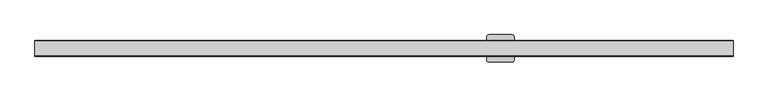
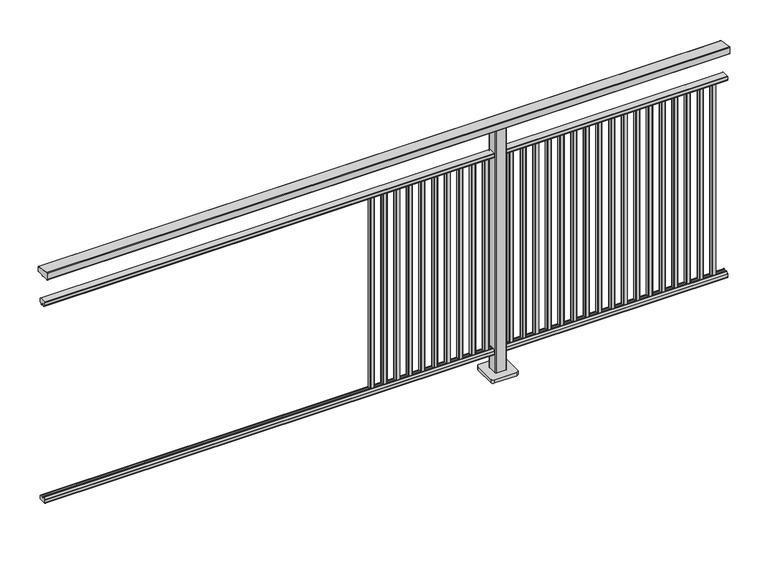
"""IFC4 building model written with IfcOpenShell, lengths in millimetres: railing geometry."""

import ifcopenshell
import ifcopenshell.guid

model = None  # the IFC model being written
_history = None  # IfcOwnerHistory: only IFC2X3 demands one
_inside = {}  # id of a spatial element -> (the spatial element, [elements in it])
_under = {}  # id of a project, library or spatial element -> (it, [spatial elements below it])
_declared = {}  # id of a project -> (the project, [libraries it declares])
_typed = {}  # id of a type object -> (the type object, [elements of that type])
_made_of = {}  # id of a material, layer set ... -> (it, [elements and type objects made of it])


def new_model(schema):
    """Start an empty IFC model of exactly this schema.

    Asked for "IFC4X3", IfcOpenShell would pick the latest addendum, in which some entities
    have other attributes; the version numbers below select the first issue.
    IFC2X3 requires an IfcOwnerHistory on every rooted entity: one is made here for all.
    """
    global model, _history
    if schema == "IFC4X3":
        model = ifcopenshell.file(schema_version=(4, 3, 0, 0))
    else:
        model = ifcopenshell.file(schema=schema)
    _inside.clear()
    _under.clear()
    _declared.clear()
    _typed.clear()
    _made_of.clear()
    _history = None
    if model.schema == "IFC2X3":
        org = make("IfcOrganization", Name="unknown")
        user = make(
            "IfcPersonAndOrganization",
            ThePerson=make("IfcPerson", FamilyName="unknown"),
            TheOrganization=org,
        )
        app = make(
            "IfcApplication",
            ApplicationDeveloper=org,
            Version="unknown",
            ApplicationFullName="unknown",
            ApplicationIdentifier="unknown",
        )
        _history = make(
            "IfcOwnerHistory",
            OwningUser=user,
            OwningApplication=app,
            ChangeAction="ADDED",
            CreationDate=0,
        )
    return model


def make(cls, **values):
    """One entity of the class cls with the attributes given. An attribute that is None is left unset."""
    return model.create_entity(
        cls, **{name: value for name, value in values.items() if value is not None}
    )


def rooted(cls, **values):
    """An entity with a GlobalId (a new one), such as an element, a storey or a relation."""
    return make(cls, GlobalId=ifcopenshell.guid.new(), OwnerHistory=_history, **values)


def si_unit(unit_type, name, prefix=None):
    """IfcSIUnit, for example si_unit("LENGTHUNIT", "METRE", prefix="MILLI")."""
    return make("IfcSIUnit", UnitType=unit_type, Prefix=prefix, Name=name)


def assignment(units):
    """IfcUnitAssignment: the units of a project."""
    return None if units is None else make("IfcUnitAssignment", Units=units)


def point(xyz):
    """IfcCartesianPoint."""
    return None if xyz is None else make("IfcCartesianPoint", Coordinates=xyz)


def direction(xyz):
    """IfcDirection."""
    return None if xyz is None else make("IfcDirection", DirectionRatios=xyz)


def frame(location, z_axis=None, x_axis=None):
    """IfcAxis2Placement3D, a coordinate frame: its origin and axes. An axis left out is left unset."""
    return make(
        "IfcAxis2Placement3D",
        Location=point(location),
        Axis=direction(z_axis),
        RefDirection=direction(x_axis),
    )


def frame_2d(location, x_axis=None):
    """IfcAxis2Placement2D, a coordinate frame in the plane: its origin and x axis."""
    return make(
        "IfcAxis2Placement2D", Location=point(location), RefDirection=direction(x_axis)
    )


def origin():
    """The frame at (0, 0, 0) with its axes left unset."""
    return frame((0.0, 0.0, 0.0))


def origin_with_axes():
    """The frame at (0, 0, 0) with the z axis (0, 0, 1) and the x axis (1, 0, 0) written out."""
    return frame((0.0, 0.0, 0.0), z_axis=(0.0, 0.0, 1.0), x_axis=(1.0, 0.0, 0.0))


def place(relative_to, where):
    """IfcLocalPlacement: puts the frame where relative to a parent placement (None: the world)."""
    return make(
        "IfcLocalPlacement", PlacementRelTo=relative_to, RelativePlacement=where
    )


def context(
    kind, dimensions, precision=None, world=None, true_north=None, identifier=None
):
    """IfcGeometricRepresentationContext, for example the 3D "Model" context."""
    return make(
        "IfcGeometricRepresentationContext",
        ContextIdentifier=identifier,
        ContextType=kind,
        CoordinateSpaceDimension=dimensions,
        Precision=precision,
        WorldCoordinateSystem=world,
        TrueNorth=true_north,
    )


def project(units=None, contexts=None):
    """IfcProject with its units and contexts."""
    return rooted(
        "IfcProject",
        Name="project",
        RepresentationContexts=contexts,
        UnitsInContext=assignment(units),
    )


def spatial(cls, under=None, at=None, **own):
    """A site, building, storey or space (cls), placed at a placement, below another one or the project."""
    s = rooted(cls, ObjectPlacement=at, **own)
    if under is not None:
        _under.setdefault(under.id(), (under, []))[1].append(s)
    return s


def polyline(points):
    """IfcPolyline through the points."""
    return make("IfcPolyline", Points=[point(p) for p in points])


def circle_curve(where, radius):
    """IfcCircle in the frame where."""
    return make("IfcCircle", Position=where, Radius=radius)


def trimmed(basis, trim1, trim2, sense, master):
    """IfcTrimmedCurve: the piece of a basis curve between two trims."""
    return make(
        "IfcTrimmedCurve",
        BasisCurve=basis,
        Trim1=trim1,
        Trim2=trim2,
        SenseAgreement=sense,
        MasterRepresentation=master,
    )


def segment(curve, same_sense, transition):
    """IfcCompositeCurveSegment."""
    return make(
        "IfcCompositeCurveSegment",
        Transition=transition,
        SameSense=same_sense,
        ParentCurve=curve,
    )


def composite_curve(segments, self_intersect=None):
    """IfcCompositeCurve: segments joined end to end."""
    return make("IfcCompositeCurve", Segments=segments, SelfIntersect=self_intersect)


def outline(outer, holes=None, kind="AREA"):
    """IfcArbitraryClosedProfileDef: a profile drawn as a closed curve; with holes, ...WithVoids."""
    if holes is None:
        return make("IfcArbitraryClosedProfileDef", ProfileType=kind, OuterCurve=outer)
    return make(
        "IfcArbitraryProfileDefWithVoids",
        ProfileType=kind,
        OuterCurve=outer,
        InnerCurves=holes,
    )


def extrude(swept, where, along, depth):
    """IfcExtrudedAreaSolid: the profile swept, set in the frame where, extruded along a direction by depth."""
    return make(
        "IfcExtrudedAreaSolid",
        SweptArea=swept,
        Position=where,
        ExtrudedDirection=direction(along),
        Depth=depth,
    )


def shape(context_of_items, identifier, shape_type, items):
    """IfcShapeRepresentation: the items that make up one representation, for example the "Body"."""
    return make(
        "IfcShapeRepresentation",
        ContextOfItems=context_of_items,
        RepresentationIdentifier=identifier,
        RepresentationType=shape_type,
        Items=items,
    )


def source(mapping_origin, context_of_items, identifier, shape_type, items):
    """IfcRepresentationMap: a shape defined once, which mapped items show again and again."""
    return make(
        "IfcRepresentationMap",
        MappingOrigin=mapping_origin,
        MappedRepresentation=shape(context_of_items, identifier, shape_type, items),
    )


def transform(
    local_origin,
    x_axis=None,
    y_axis=None,
    z_axis=None,
    scale=None,
    scale2=None,
    scale3=None,
    uniform=True,
):
    """IfcCartesianTransformationOperator3D, or its non-uniform kind. x_axis, y_axis, z_axis: its Axis1, 2, 3."""
    if uniform:
        return make(
            "IfcCartesianTransformationOperator3D",
            Axis1=direction(x_axis),
            Axis2=direction(y_axis),
            LocalOrigin=point(local_origin),
            Scale=scale,
            Axis3=direction(z_axis),
        )
    return make(
        "IfcCartesianTransformationOperator3DnonUniform",
        Axis1=direction(x_axis),
        Axis2=direction(y_axis),
        LocalOrigin=point(local_origin),
        Scale=scale,
        Axis3=direction(z_axis),
        Scale2=scale2,
        Scale3=scale3,
    )


def mapped(mapping_source, mapping_target):
    """IfcMappedItem: shows the shape of a source again, moved by a transform."""
    return make(
        "IfcMappedItem", MappingSource=mapping_source, MappingTarget=mapping_target
    )


def made_of(thing, what):
    """Note that an element or type object is made of a material, layer set ...; save() writes the relation."""
    if what is not None:
        _made_of.setdefault(what.id(), (what, []))[1].append(thing)
    return thing


def element(
    cls,
    number,
    at=None,
    inside=None,
    cuts=None,
    type_object=None,
    material=None,
    context=None,
    identifier="Body",
    shape_type=None,
    held_by="IfcProductDefinitionShape",
    body=None,
    shapes=None,
    **own,
):
    """One element of the class cls, such as IfcWall. Its Tag is "e" and its number.

    at: its placement. inside: the storey or other place that contains it. cuts: it is an
    opening in that element (IfcRelVoidsElement). A single representation is given by context,
    identifier, shape_type and body (its items); several are given by shapes. held_by: the class
    of the entity that holds the representations. save() writes the other relations.
    """
    e = rooted(cls, Tag="e%d" % number, ObjectPlacement=at, **own)
    if body is not None:
        shapes = [shape(context, identifier, shape_type, body)]
    if shapes is not None:
        e.Representation = make(held_by, Representations=shapes)
    if inside is not None:
        _inside.setdefault(inside.id(), (inside, []))[1].append(e)
    if cuts is not None:
        rooted(
            "IfcRelVoidsElement", RelatingBuildingElement=cuts, RelatedOpeningElement=e
        )
    if type_object is not None:
        _typed.setdefault(type_object.id(), (type_object, []))[1].append(e)
    return made_of(e, material)


def aggregate(whole, parts):
    """IfcRelAggregates: a whole, such as a stair, and the parts it consists of."""
    return rooted("IfcRelAggregates", RelatingObject=whole, RelatedObjects=parts)


def save(model, path):
    """Write the relations noted so far, then the file.

    IfcRelAggregates (storeys below a building ...), IfcRelContainedInSpatialStructure (elements
    in a storey), IfcRelDefinesByType, IfcRelAssociatesMaterial and IfcRelDeclares: one each for
    every whole, place, type object, material and project.
    """
    for whole, parts in _under.values():
        aggregate(whole, parts)
    for where, things in _inside.values():
        rooted(
            "IfcRelContainedInSpatialStructure",
            RelatedElements=things,
            RelatingStructure=where,
        )
    for kind, things in _typed.values():
        rooted("IfcRelDefinesByType", RelatedObjects=things, RelatingType=kind)
    for what, things in _made_of.values():
        rooted("IfcRelAssociatesMaterial", RelatedObjects=things, RelatingMaterial=what)
    for by, libraries in _declared.values():
        rooted("IfcRelDeclares", RelatingContext=by, RelatedDefinitions=libraries)
    model.write(path)


def railing_397cc228(model_context):
    return source(origin(), model_context, "Body", "SweptSolid", [
        extrude(outline(composite_curve([segment(polyline([(10264.3630551, 1199.9544233), (10328.3630551, 1188.6694965)]), True, "CONTINUOUS"), segment(trimmed(circle_curve(frame_2d((10327.8421106, 1185.7150732)), 3.0), [point((10328.3630551, 1188.6694965))], [point((10330.8421106, 1185.7150732))], False, "CARTESIAN"), True, "CONTINUOUS"), segment(polyline([(10330.8421106, 1185.7150732), (10330.8421106, 1169.2)]), True, "CONTINUOUS"), segment(trimmed(circle_curve(frame_2d((10327.8421106, 1169.2)), 3.0), [point((10330.8421106, 1169.2))], [point((10327.8421106, 1166.2))], False, "CARTESIAN"), True, "CONTINUOUS"), segment(polyline([(10327.8421106, 1166.2), (10304.17694, 1166.2)]), True, "CONTINUOUS"), segment(trimmed(circle_curve(frame_2d((10295.8500931, 1183.2818957)), 19.003356), [point((10304.17694, 1166.2))], [point((10287.5232463, 1166.2))], False, "CARTESIAN"), True, "CONTINUOUS"), segment(polyline([(10287.5232463, 1166.2), (10263.8421106, 1166.2)]), True, "CONTINUOUS"), segment(trimmed(circle_curve(frame_2d((10263.8421106, 1169.2)), 3.0), [point((10263.8421106, 1166.2))], [point((10260.8421106, 1169.2))], False, "CARTESIAN"), True, "CONTINUOUS"), segment(polyline([(10260.8421106, 1169.2), (10260.8421106, 1197.0)]), True, "CONTINUOUS"), segment(trimmed(circle_curve(frame_2d((10263.8421106, 1197.0)), 3.0), [point((10260.8421106, 1197.0))], [point((10264.3630551, 1199.9544233))], False, "CARTESIAN"), True, "CONTINUOUS")], self_intersect=False)), frame((3691.3946925, 0.0, 0.0), z_axis=(1.0, 0.0, 0.0), x_axis=(0.0, 1.0, 0.0)), (0.0, 0.0, 1.0), 3050.0),
        extrude(outline(composite_curve([segment(polyline([(10311.5508136, 100.0), (10280.1507946, 100.0)]), True, "CONTINUOUS"), segment(trimmed(circle_curve(frame_2d((10280.1507946, 101.8)), 1.8), [point((10280.1507946, 100.0))], [point((10278.3507946, 101.8))], False, "CARTESIAN"), True, "CONTINUOUS"), segment(polyline([(10278.3507946, 101.8), (10278.3507946, 115.5269955)]), True, "CONTINUOUS"), segment(trimmed(circle_curve(frame_2d((10280.1507946, 115.5269955)), 1.8), [point((10278.3507946, 115.5269955))], [point((10278.7923399, 116.7079277))], False, "CARTESIAN"), True, "CONTINUOUS"), segment(polyline([(10278.7923399, 116.7079277), (10285.4626384, 124.3809322)]), True, "CONTINUOUS"), segment(trimmed(circle_curve(frame_2d((10286.8210931, 123.2)), 1.8), [point((10285.4626384, 124.3809322))], [point((10286.8210931, 125.0))], False, "CARTESIAN"), True, "CONTINUOUS"), segment(polyline([(10286.8210931, 125.0), (10290.5111113, 125.0), (10291.809143, 113.0), (10299.8924411, 113.0), (10301.1904978, 125.0), (10304.88054, 125.0)]), True, "CONTINUOUS"), segment(trimmed(circle_curve(frame_2d((10304.88054, 123.2)), 1.8), [point((10304.88054, 125.0))], [point((10306.2389969, 124.3809297))], False, "CARTESIAN"), True, "CONTINUOUS"), segment(polyline([(10306.2389969, 124.3809297), (10312.9092704, 116.7079252)]), True, "CONTINUOUS"), segment(trimmed(circle_curve(frame_2d((10311.5508136, 115.5269955)), 1.8), [point((10312.9092704, 116.7079252))], [point((10313.3508136, 115.5269955))], False, "CARTESIAN"), True, "CONTINUOUS"), segment(polyline([(10313.3508136, 115.5269955), (10313.3508136, 101.8)]), True, "CONTINUOUS"), segment(trimmed(circle_curve(frame_2d((10311.5508136, 101.8)), 1.8), [point((10313.3508136, 101.8))], [point((10311.5508136, 100.0))], False, "CARTESIAN"), True, "CONTINUOUS")], self_intersect=False)), frame((3691.3946925, 0.0, 0.0), z_axis=(1.0, 0.0, 0.0), x_axis=(0.0, 1.0, 0.0)), (0.0, 0.0, 1.0), 3050.0),
        extrude(outline(composite_curve([segment(polyline([(10280.1507946, 1050.0), (10311.5508136, 1050.0)]), True, "CONTINUOUS"), segment(trimmed(circle_curve(frame_2d((10311.5508136, 1048.2)), 1.8), [point((10311.5508136, 1050.0))], [point((10313.3508136, 1048.2))], False, "CARTESIAN"), True, "CONTINUOUS"), segment(polyline([(10313.3508136, 1048.2), (10313.3508136, 1034.4730045)]), True, "CONTINUOUS"), segment(trimmed(circle_curve(frame_2d((10311.5508136, 1034.4730045)), 1.8), [point((10313.3508136, 1034.4730045))], [point((10312.9092704, 1033.2920748))], False, "CARTESIAN"), True, "CONTINUOUS"), segment(polyline([(10312.9092704, 1033.2920748), (10306.2389969, 1025.6190703)]), True, "CONTINUOUS"), segment(trimmed(circle_curve(frame_2d((10304.88054, 1026.8)), 1.8), [point((10306.2389969, 1025.6190703))], [point((10304.88054, 1025.0))], False, "CARTESIAN"), True, "CONTINUOUS"), segment(polyline([(10304.88054, 1025.0), (10301.1904978, 1025.0), (10299.8924411, 1037.0), (10291.809143, 1037.0), (10290.5111113, 1025.0), (10286.8210931, 1025.0)]), True, "CONTINUOUS"), segment(trimmed(circle_curve(frame_2d((10286.8210931, 1026.8)), 1.8), [point((10286.8210931, 1025.0))], [point((10285.4626384, 1025.6190678))], False, "CARTESIAN"), True, "CONTINUOUS"), segment(polyline([(10285.4626384, 1025.6190678), (10278.7923399, 1033.2920723)]), True, "CONTINUOUS"), segment(trimmed(circle_curve(frame_2d((10280.1507946, 1034.4730045)), 1.8), [point((10278.7923399, 1033.2920723))], [point((10278.3507946, 1034.4730045))], False, "CARTESIAN"), True, "CONTINUOUS"), segment(polyline([(10278.3507946, 1034.4730045), (10278.3507946, 1048.2)]), True, "CONTINUOUS"), segment(trimmed(circle_curve(frame_2d((10280.1507946, 1048.2)), 1.8), [point((10278.3507946, 1048.2))], [point((10280.1507946, 1050.0))], False, "CARTESIAN"), True, "CONTINUOUS")], self_intersect=False)), frame((3691.3946925, 0.0, 0.0), z_axis=(1.0, 0.0, 0.0), x_axis=(0.0, 1.0, 0.0)), (0.0, 0.0, 1.0), 3050.0),
        extrude(outline(composite_curve([segment(trimmed(circle_curve(frame_2d((6677.3132095, 10303.4508236)), 1.4), [point((6675.9132095, 10303.4508236))], [point((6677.3132095, 10304.8508236))], False, "CARTESIAN"), True, "CONTINUOUS"), segment(polyline([(6677.3132095, 10304.8508236), (6692.5132125, 10304.8508236)]), True, "CONTINUOUS"), segment(trimmed(circle_curve(frame_2d((6692.5132125, 10303.4508236)), 1.4), [point((6692.5132125, 10304.8508236))], [point((6693.9132125, 10303.4508236))], False, "CARTESIAN"), True, "CONTINUOUS"), segment(polyline([(6693.9132125, 10303.4508236), (6693.9132125, 10288.2507846)]), True, "CONTINUOUS"), segment(trimmed(circle_curve(frame_2d((6692.5132125, 10288.2507846)), 1.4), [point((6693.9132125, 10288.2507846))], [point((6692.5132125, 10286.8507846))], False, "CARTESIAN"), True, "CONTINUOUS"), segment(polyline([(6692.5132125, 10286.8507846), (6677.3132095, 10286.8507846)]), True, "CONTINUOUS"), segment(trimmed(circle_curve(frame_2d((6677.3132095, 10288.2507846)), 1.4), [point((6677.3132095, 10286.8507846))], [point((6675.9132095, 10288.2507846))], False, "CARTESIAN"), True, "CONTINUOUS"), segment(polyline([(6675.9132095, 10288.2507846), (6675.9132095, 10303.4508236)]), True, "CONTINUOUS")], self_intersect=False)), frame((0.0, 0.0, 125.0), z_axis=(0.0, 0.0, 1.0), x_axis=(1.0, 0.0, 0.0)), (0.0, 0.0, 1.0), 900.0),
        extrude(outline(composite_curve([segment(trimmed(circle_curve(frame_2d((6620.8317281, 10303.4508236)), 1.4), [point((6619.4317281, 10303.4508236))], [point((6620.8317281, 10304.8508236))], False, "CARTESIAN"), True, "CONTINUOUS"), segment(polyline([(6620.8317281, 10304.8508236), (6636.0317311, 10304.8508236)]), True, "CONTINUOUS"), segment(trimmed(circle_curve(frame_2d((6636.0317311, 10303.4508236)), 1.4), [point((6636.0317311, 10304.8508236))], [point((6637.4317311, 10303.4508236))], False, "CARTESIAN"), True, "CONTINUOUS"), segment(polyline([(6637.4317311, 10303.4508236), (6637.4317311, 10288.2507846)]), True, "CONTINUOUS"), segment(trimmed(circle_curve(frame_2d((6636.0317311, 10288.2507846)), 1.4), [point((6637.4317311, 10288.2507846))], [point((6636.0317311, 10286.8507846))], False, "CARTESIAN"), True, "CONTINUOUS"), segment(polyline([(6636.0317311, 10286.8507846), (6620.8317281, 10286.8507846)]), True, "CONTINUOUS"), segment(trimmed(circle_curve(frame_2d((6620.8317281, 10288.2507846)), 1.4), [point((6620.8317281, 10286.8507846))], [point((6619.4317281, 10288.2507846))], False, "CARTESIAN"), True, "CONTINUOUS"), segment(polyline([(6619.4317281, 10288.2507846), (6619.4317281, 10303.4508236)]), True, "CONTINUOUS")], self_intersect=False)), frame((0.0, 0.0, 125.0), z_axis=(0.0, 0.0, 1.0), x_axis=(1.0, 0.0, 0.0)), (0.0, 0.0, 1.0), 900.0),
        extrude(outline(composite_curve([segment(trimmed(circle_curve(frame_2d((6564.3502466, 10303.4508236)), 1.4), [point((6562.9502466, 10303.4508236))], [point((6564.3502466, 10304.8508236))], False, "CARTESIAN"), True, "CONTINUOUS"), segment(polyline([(6564.3502466, 10304.8508236), (6579.5502496, 10304.8508236)]), True, "CONTINUOUS"), segment(trimmed(circle_curve(frame_2d((6579.5502496, 10303.4508236)), 1.4), [point((6579.5502496, 10304.8508236))], [point((6580.9502496, 10303.4508236))], False, "CARTESIAN"), True, "CONTINUOUS"), segment(polyline([(6580.9502496, 10303.4508236), (6580.9502496, 10288.2507846)]), True, "CONTINUOUS"), segment(trimmed(circle_curve(frame_2d((6579.5502496, 10288.2507846)), 1.4), [point((6580.9502496, 10288.2507846))], [point((6579.5502496, 10286.8507846))], False, "CARTESIAN"), True, "CONTINUOUS"), segment(polyline([(6579.5502496, 10286.8507846), (6564.3502466, 10286.8507846)]), True, "CONTINUOUS"), segment(trimmed(circle_curve(frame_2d((6564.3502466, 10288.2507846)), 1.4), [point((6564.3502466, 10286.8507846))], [point((6562.9502466, 10288.2507846))], False, "CARTESIAN"), True, "CONTINUOUS"), segment(polyline([(6562.9502466, 10288.2507846), (6562.9502466, 10303.4508236)]), True, "CONTINUOUS")], self_intersect=False)), frame((0.0, 0.0, 125.0), z_axis=(0.0, 0.0, 1.0), x_axis=(1.0, 0.0, 0.0)), (0.0, 0.0, 1.0), 900.0),
        extrude(outline(composite_curve([segment(trimmed(circle_curve(frame_2d((6507.8687651, 10303.4508236)), 1.4), [point((6506.4687651, 10303.4508236))], [point((6507.8687651, 10304.8508236))], False, "CARTESIAN"), True, "CONTINUOUS"), segment(polyline([(6507.8687651, 10304.8508236), (6523.0687681, 10304.8508236)]), True, "CONTINUOUS"), segment(trimmed(circle_curve(frame_2d((6523.0687681, 10303.4508236)), 1.4), [point((6523.0687681, 10304.8508236))], [point((6524.4687681, 10303.4508236))], False, "CARTESIAN"), True, "CONTINUOUS"), segment(polyline([(6524.4687681, 10303.4508236), (6524.4687681, 10288.2507846)]), True, "CONTINUOUS"), segment(trimmed(circle_curve(frame_2d((6523.0687681, 10288.2507846)), 1.4), [point((6524.4687681, 10288.2507846))], [point((6523.0687681, 10286.8507846))], False, "CARTESIAN"), True, "CONTINUOUS"), segment(polyline([(6523.0687681, 10286.8507846), (6507.8687651, 10286.8507846)]), True, "CONTINUOUS"), segment(trimmed(circle_curve(frame_2d((6507.8687651, 10288.2507846)), 1.4), [point((6507.8687651, 10286.8507846))], [point((6506.4687651, 10288.2507846))], False, "CARTESIAN"), True, "CONTINUOUS"), segment(polyline([(6506.4687651, 10288.2507846), (6506.4687651, 10303.4508236)]), True, "CONTINUOUS")], self_intersect=False)), frame((0.0, 0.0, 125.0), z_axis=(0.0, 0.0, 1.0), x_axis=(1.0, 0.0, 0.0)), (0.0, 0.0, 1.0), 900.0),
        extrude(outline(composite_curve([segment(trimmed(circle_curve(frame_2d((6451.3872836, 10303.4508236)), 1.4), [point((6449.9872836, 10303.4508236))], [point((6451.3872836, 10304.8508236))], False, "CARTESIAN"), True, "CONTINUOUS"), segment(polyline([(6451.3872836, 10304.8508236), (6466.5872866, 10304.8508236)]), True, "CONTINUOUS"), segment(trimmed(circle_curve(frame_2d((6466.5872866, 10303.4508236)), 1.4), [point((6466.5872866, 10304.8508236))], [point((6467.9872866, 10303.4508236))], False, "CARTESIAN"), True, "CONTINUOUS"), segment(polyline([(6467.9872866, 10303.4508236), (6467.9872866, 10288.2507846)]), True, "CONTINUOUS"), segment(trimmed(circle_curve(frame_2d((6466.5872866, 10288.2507846)), 1.4), [point((6467.9872866, 10288.2507846))], [point((6466.5872866, 10286.8507846))], False, "CARTESIAN"), True, "CONTINUOUS"), segment(polyline([(6466.5872866, 10286.8507846), (6451.3872836, 10286.8507846)]), True, "CONTINUOUS"), segment(trimmed(circle_curve(frame_2d((6451.3872836, 10288.2507846)), 1.4), [point((6451.3872836, 10286.8507846))], [point((6449.9872836, 10288.2507846))], False, "CARTESIAN"), True, "CONTINUOUS"), segment(polyline([(6449.9872836, 10288.2507846), (6449.9872836, 10303.4508236)]), True, "CONTINUOUS")], self_intersect=False)), frame((0.0, 0.0, 125.0), z_axis=(0.0, 0.0, 1.0), x_axis=(1.0, 0.0, 0.0)), (0.0, 0.0, 1.0), 900.0),
        extrude(outline(composite_curve([segment(trimmed(circle_curve(frame_2d((6394.9058021, 10303.4508236)), 1.4), [point((6393.5058021, 10303.4508236))], [point((6394.9058021, 10304.8508236))], False, "CARTESIAN"), True, "CONTINUOUS"), segment(polyline([(6394.9058021, 10304.8508236), (6410.1058051, 10304.8508236)]), True, "CONTINUOUS"), segment(trimmed(circle_curve(frame_2d((6410.1058051, 10303.4508236)), 1.4), [point((6410.1058051, 10304.8508236))], [point((6411.5058051, 10303.4508236))], False, "CARTESIAN"), True, "CONTINUOUS"), segment(polyline([(6411.5058051, 10303.4508236), (6411.5058051, 10288.2507846)]), True, "CONTINUOUS"), segment(trimmed(circle_curve(frame_2d((6410.1058051, 10288.2507846)), 1.4), [point((6411.5058051, 10288.2507846))], [point((6410.1058051, 10286.8507846))], False, "CARTESIAN"), True, "CONTINUOUS"), segment(polyline([(6410.1058051, 10286.8507846), (6394.9058021, 10286.8507846)]), True, "CONTINUOUS"), segment(trimmed(circle_curve(frame_2d((6394.9058021, 10288.2507846)), 1.4), [point((6394.9058021, 10286.8507846))], [point((6393.5058021, 10288.2507846))], False, "CARTESIAN"), True, "CONTINUOUS"), segment(polyline([(6393.5058021, 10288.2507846), (6393.5058021, 10303.4508236)]), True, "CONTINUOUS")], self_intersect=False)), frame((0.0, 0.0, 125.0), z_axis=(0.0, 0.0, 1.0), x_axis=(1.0, 0.0, 0.0)), (0.0, 0.0, 1.0), 900.0),
        extrude(outline(composite_curve([segment(trimmed(circle_curve(frame_2d((6338.4243207, 10303.4508236)), 1.4), [point((6337.0243207, 10303.4508236))], [point((6338.4243207, 10304.8508236))], False, "CARTESIAN"), True, "CONTINUOUS"), segment(polyline([(6338.4243207, 10304.8508236), (6353.6243237, 10304.8508236)]), True, "CONTINUOUS"), segment(trimmed(circle_curve(frame_2d((6353.6243237, 10303.4508236)), 1.4), [point((6353.6243237, 10304.8508236))], [point((6355.0243237, 10303.4508236))], False, "CARTESIAN"), True, "CONTINUOUS"), segment(polyline([(6355.0243237, 10303.4508236), (6355.0243237, 10288.2507846)]), True, "CONTINUOUS"), segment(trimmed(circle_curve(frame_2d((6353.6243237, 10288.2507846)), 1.4), [point((6355.0243237, 10288.2507846))], [point((6353.6243237, 10286.8507846))], False, "CARTESIAN"), True, "CONTINUOUS"), segment(polyline([(6353.6243237, 10286.8507846), (6338.4243207, 10286.8507846)]), True, "CONTINUOUS"), segment(trimmed(circle_curve(frame_2d((6338.4243207, 10288.2507846)), 1.4), [point((6338.4243207, 10286.8507846))], [point((6337.0243207, 10288.2507846))], False, "CARTESIAN"), True, "CONTINUOUS"), segment(polyline([(6337.0243207, 10288.2507846), (6337.0243207, 10303.4508236)]), True, "CONTINUOUS")], self_intersect=False)), frame((0.0, 0.0, 125.0), z_axis=(0.0, 0.0, 1.0), x_axis=(1.0, 0.0, 0.0)), (0.0, 0.0, 1.0), 900.0),
        extrude(outline(composite_curve([segment(trimmed(circle_curve(frame_2d((6281.9428392, 10303.4508236)), 1.4), [point((6280.5428392, 10303.4508236))], [point((6281.9428392, 10304.8508236))], False, "CARTESIAN"), True, "CONTINUOUS"), segment(polyline([(6281.9428392, 10304.8508236), (6297.1428422, 10304.8508236)]), True, "CONTINUOUS"), segment(trimmed(circle_curve(frame_2d((6297.1428422, 10303.4508236)), 1.4), [point((6297.1428422, 10304.8508236))], [point((6298.5428422, 10303.4508236))], False, "CARTESIAN"), True, "CONTINUOUS"), segment(polyline([(6298.5428422, 10303.4508236), (6298.5428422, 10288.2507846)]), True, "CONTINUOUS"), segment(trimmed(circle_curve(frame_2d((6297.1428422, 10288.2507846)), 1.4), [point((6298.5428422, 10288.2507846))], [point((6297.1428422, 10286.8507846))], False, "CARTESIAN"), True, "CONTINUOUS"), segment(polyline([(6297.1428422, 10286.8507846), (6281.9428392, 10286.8507846)]), True, "CONTINUOUS"), segment(trimmed(circle_curve(frame_2d((6281.9428392, 10288.2507846)), 1.4), [point((6281.9428392, 10286.8507846))], [point((6280.5428392, 10288.2507846))], False, "CARTESIAN"), True, "CONTINUOUS"), segment(polyline([(6280.5428392, 10288.2507846), (6280.5428392, 10303.4508236)]), True, "CONTINUOUS")], self_intersect=False)), frame((0.0, 0.0, 125.0), z_axis=(0.0, 0.0, 1.0), x_axis=(1.0, 0.0, 0.0)), (0.0, 0.0, 1.0), 900.0),
        extrude(outline(composite_curve([segment(trimmed(circle_curve(frame_2d((6225.4613577, 10303.4508236)), 1.4), [point((6224.0613577, 10303.4508236))], [point((6225.4613577, 10304.8508236))], False, "CARTESIAN"), True, "CONTINUOUS"), segment(polyline([(6225.4613577, 10304.8508236), (6240.6613607, 10304.8508236)]), True, "CONTINUOUS"), segment(trimmed(circle_curve(frame_2d((6240.6613607, 10303.4508236)), 1.4), [point((6240.6613607, 10304.8508236))], [point((6242.0613607, 10303.4508236))], False, "CARTESIAN"), True, "CONTINUOUS"), segment(polyline([(6242.0613607, 10303.4508236), (6242.0613607, 10288.2507846)]), True, "CONTINUOUS"), segment(trimmed(circle_curve(frame_2d((6240.6613607, 10288.2507846)), 1.4), [point((6242.0613607, 10288.2507846))], [point((6240.6613607, 10286.8507846))], False, "CARTESIAN"), True, "CONTINUOUS"), segment(polyline([(6240.6613607, 10286.8507846), (6225.4613577, 10286.8507846)]), True, "CONTINUOUS"), segment(trimmed(circle_curve(frame_2d((6225.4613577, 10288.2507846)), 1.4), [point((6225.4613577, 10286.8507846))], [point((6224.0613577, 10288.2507846))], False, "CARTESIAN"), True, "CONTINUOUS"), segment(polyline([(6224.0613577, 10288.2507846), (6224.0613577, 10303.4508236)]), True, "CONTINUOUS")], self_intersect=False)), frame((0.0, 0.0, 125.0), z_axis=(0.0, 0.0, 1.0), x_axis=(1.0, 0.0, 0.0)), (0.0, 0.0, 1.0), 900.0),
        extrude(outline(composite_curve([segment(trimmed(circle_curve(frame_2d((6168.9798762, 10303.4508236)), 1.4), [point((6167.5798762, 10303.4508236))], [point((6168.9798762, 10304.8508236))], False, "CARTESIAN"), True, "CONTINUOUS"), segment(polyline([(6168.9798762, 10304.8508236), (6184.1798792, 10304.8508236)]), True, "CONTINUOUS"), segment(trimmed(circle_curve(frame_2d((6184.1798792, 10303.4508236)), 1.4), [point((6184.1798792, 10304.8508236))], [point((6185.5798792, 10303.4508236))], False, "CARTESIAN"), True, "CONTINUOUS"), segment(polyline([(6185.5798792, 10303.4508236), (6185.5798792, 10288.2507846)]), True, "CONTINUOUS"), segment(trimmed(circle_curve(frame_2d((6184.1798792, 10288.2507846)), 1.4), [point((6185.5798792, 10288.2507846))], [point((6184.1798792, 10286.8507846))], False, "CARTESIAN"), True, "CONTINUOUS"), segment(polyline([(6184.1798792, 10286.8507846), (6168.9798762, 10286.8507846)]), True, "CONTINUOUS"), segment(trimmed(circle_curve(frame_2d((6168.9798762, 10288.2507846)), 1.4), [point((6168.9798762, 10286.8507846))], [point((6167.5798762, 10288.2507846))], False, "CARTESIAN"), True, "CONTINUOUS"), segment(polyline([(6167.5798762, 10288.2507846), (6167.5798762, 10303.4508236)]), True, "CONTINUOUS")], self_intersect=False)), frame((0.0, 0.0, 125.0), z_axis=(0.0, 0.0, 1.0), x_axis=(1.0, 0.0, 0.0)), (0.0, 0.0, 1.0), 900.0),
        extrude(outline(composite_curve([segment(trimmed(circle_curve(frame_2d((6112.4983947, 10303.4508236)), 1.4), [point((6111.0983947, 10303.4508236))], [point((6112.4983947, 10304.8508236))], False, "CARTESIAN"), True, "CONTINUOUS"), segment(polyline([(6112.4983947, 10304.8508236), (6127.6983977, 10304.8508236)]), True, "CONTINUOUS"), segment(trimmed(circle_curve(frame_2d((6127.6983977, 10303.4508236)), 1.4), [point((6127.6983977, 10304.8508236))], [point((6129.0983977, 10303.4508236))], False, "CARTESIAN"), True, "CONTINUOUS"), segment(polyline([(6129.0983977, 10303.4508236), (6129.0983977, 10288.2507846)]), True, "CONTINUOUS"), segment(trimmed(circle_curve(frame_2d((6127.6983977, 10288.2507846)), 1.4), [point((6129.0983977, 10288.2507846))], [point((6127.6983977, 10286.8507846))], False, "CARTESIAN"), True, "CONTINUOUS"), segment(polyline([(6127.6983977, 10286.8507846), (6112.4983947, 10286.8507846)]), True, "CONTINUOUS"), segment(trimmed(circle_curve(frame_2d((6112.4983947, 10288.2507846)), 1.4), [point((6112.4983947, 10286.8507846))], [point((6111.0983947, 10288.2507846))], False, "CARTESIAN"), True, "CONTINUOUS"), segment(polyline([(6111.0983947, 10288.2507846), (6111.0983947, 10303.4508236)]), True, "CONTINUOUS")], self_intersect=False)), frame((0.0, 0.0, 125.0), z_axis=(0.0, 0.0, 1.0), x_axis=(1.0, 0.0, 0.0)), (0.0, 0.0, 1.0), 900.0),
        extrude(outline(composite_curve([segment(trimmed(circle_curve(frame_2d((6056.0169133, 10303.4508236)), 1.4), [point((6054.6169133, 10303.4508236))], [point((6056.0169133, 10304.8508236))], False, "CARTESIAN"), True, "CONTINUOUS"), segment(polyline([(6056.0169133, 10304.8508236), (6071.2169163, 10304.8508236)]), True, "CONTINUOUS"), segment(trimmed(circle_curve(frame_2d((6071.2169163, 10303.4508236)), 1.4), [point((6071.2169163, 10304.8508236))], [point((6072.6169163, 10303.4508236))], False, "CARTESIAN"), True, "CONTINUOUS"), segment(polyline([(6072.6169163, 10303.4508236), (6072.6169163, 10288.2507846)]), True, "CONTINUOUS"), segment(trimmed(circle_curve(frame_2d((6071.2169163, 10288.2507846)), 1.4), [point((6072.6169163, 10288.2507846))], [point((6071.2169163, 10286.8507846))], False, "CARTESIAN"), True, "CONTINUOUS"), segment(polyline([(6071.2169163, 10286.8507846), (6056.0169133, 10286.8507846)]), True, "CONTINUOUS"), segment(trimmed(circle_curve(frame_2d((6056.0169133, 10288.2507846)), 1.4), [point((6056.0169133, 10286.8507846))], [point((6054.6169133, 10288.2507846))], False, "CARTESIAN"), True, "CONTINUOUS"), segment(polyline([(6054.6169133, 10288.2507846), (6054.6169133, 10303.4508236)]), True, "CONTINUOUS")], self_intersect=False)), frame((0.0, 0.0, 125.0), z_axis=(0.0, 0.0, 1.0), x_axis=(1.0, 0.0, 0.0)), (0.0, 0.0, 1.0), 900.0),
        extrude(outline(composite_curve([segment(trimmed(circle_curve(frame_2d((5999.5354318, 10303.4508236)), 1.4), [point((5998.1354318, 10303.4508236))], [point((5999.5354318, 10304.8508236))], False, "CARTESIAN"), True, "CONTINUOUS"), segment(polyline([(5999.5354318, 10304.8508236), (6014.7354348, 10304.8508236)]), True, "CONTINUOUS"), segment(trimmed(circle_curve(frame_2d((6014.7354348, 10303.4508236)), 1.4), [point((6014.7354348, 10304.8508236))], [point((6016.1354348, 10303.4508236))], False, "CARTESIAN"), True, "CONTINUOUS"), segment(polyline([(6016.1354348, 10303.4508236), (6016.1354348, 10288.2507846)]), True, "CONTINUOUS"), segment(trimmed(circle_curve(frame_2d((6014.7354348, 10288.2507846)), 1.4), [point((6016.1354348, 10288.2507846))], [point((6014.7354348, 10286.8507846))], False, "CARTESIAN"), True, "CONTINUOUS"), segment(polyline([(6014.7354348, 10286.8507846), (5999.5354318, 10286.8507846)]), True, "CONTINUOUS"), segment(trimmed(circle_curve(frame_2d((5999.5354318, 10288.2507846)), 1.4), [point((5999.5354318, 10286.8507846))], [point((5998.1354318, 10288.2507846))], False, "CARTESIAN"), True, "CONTINUOUS"), segment(polyline([(5998.1354318, 10288.2507846), (5998.1354318, 10303.4508236)]), True, "CONTINUOUS")], self_intersect=False)), frame((0.0, 0.0, 125.0), z_axis=(0.0, 0.0, 1.0), x_axis=(1.0, 0.0, 0.0)), (0.0, 0.0, 1.0), 900.0),
        extrude(outline(composite_curve([segment(trimmed(circle_curve(frame_2d((5943.0539503, 10303.4508236)), 1.4), [point((5941.6539503, 10303.4508236))], [point((5943.0539503, 10304.8508236))], False, "CARTESIAN"), True, "CONTINUOUS"), segment(polyline([(5943.0539503, 10304.8508236), (5958.2539533, 10304.8508236)]), True, "CONTINUOUS"), segment(trimmed(circle_curve(frame_2d((5958.2539533, 10303.4508236)), 1.4), [point((5958.2539533, 10304.8508236))], [point((5959.6539533, 10303.4508236))], False, "CARTESIAN"), True, "CONTINUOUS"), segment(polyline([(5959.6539533, 10303.4508236), (5959.6539533, 10288.2507846)]), True, "CONTINUOUS"), segment(trimmed(circle_curve(frame_2d((5958.2539533, 10288.2507846)), 1.4), [point((5959.6539533, 10288.2507846))], [point((5958.2539533, 10286.8507846))], False, "CARTESIAN"), True, "CONTINUOUS"), segment(polyline([(5958.2539533, 10286.8507846), (5943.0539503, 10286.8507846)]), True, "CONTINUOUS"), segment(trimmed(circle_curve(frame_2d((5943.0539503, 10288.2507846)), 1.4), [point((5943.0539503, 10286.8507846))], [point((5941.6539503, 10288.2507846))], False, "CARTESIAN"), True, "CONTINUOUS"), segment(polyline([(5941.6539503, 10288.2507846), (5941.6539503, 10303.4508236)]), True, "CONTINUOUS")], self_intersect=False)), frame((0.0, 0.0, 125.0), z_axis=(0.0, 0.0, 1.0), x_axis=(1.0, 0.0, 0.0)), (0.0, 0.0, 1.0), 900.0),
        extrude(outline(composite_curve([segment(trimmed(circle_curve(frame_2d((5886.5724688, 10303.4508236)), 1.4), [point((5885.1724688, 10303.4508236))], [point((5886.5724688, 10304.8508236))], False, "CARTESIAN"), True, "CONTINUOUS"), segment(polyline([(5886.5724688, 10304.8508236), (5901.7724718, 10304.8508236)]), True, "CONTINUOUS"), segment(trimmed(circle_curve(frame_2d((5901.7724718, 10303.4508236)), 1.4), [point((5901.7724718, 10304.8508236))], [point((5903.1724718, 10303.4508236))], False, "CARTESIAN"), True, "CONTINUOUS"), segment(polyline([(5903.1724718, 10303.4508236), (5903.1724718, 10288.2507846)]), True, "CONTINUOUS"), segment(trimmed(circle_curve(frame_2d((5901.7724718, 10288.2507846)), 1.4), [point((5903.1724718, 10288.2507846))], [point((5901.7724718, 10286.8507846))], False, "CARTESIAN"), True, "CONTINUOUS"), segment(polyline([(5901.7724718, 10286.8507846), (5886.5724688, 10286.8507846)]), True, "CONTINUOUS"), segment(trimmed(circle_curve(frame_2d((5886.5724688, 10288.2507846)), 1.4), [point((5886.5724688, 10286.8507846))], [point((5885.1724688, 10288.2507846))], False, "CARTESIAN"), True, "CONTINUOUS"), segment(polyline([(5885.1724688, 10288.2507846), (5885.1724688, 10303.4508236)]), True, "CONTINUOUS")], self_intersect=False)), frame((0.0, 0.0, 125.0), z_axis=(0.0, 0.0, 1.0), x_axis=(1.0, 0.0, 0.0)), (0.0, 0.0, 1.0), 900.0),
        extrude(outline(composite_curve([segment(trimmed(circle_curve(frame_2d((5830.0909873, 10303.4508236)), 1.4), [point((5828.6909873, 10303.4508236))], [point((5830.0909873, 10304.8508236))], False, "CARTESIAN"), True, "CONTINUOUS"), segment(polyline([(5830.0909873, 10304.8508236), (5845.2909903, 10304.8508236)]), True, "CONTINUOUS"), segment(trimmed(circle_curve(frame_2d((5845.2909903, 10303.4508236)), 1.4), [point((5845.2909903, 10304.8508236))], [point((5846.6909903, 10303.4508236))], False, "CARTESIAN"), True, "CONTINUOUS"), segment(polyline([(5846.6909903, 10303.4508236), (5846.6909903, 10288.2507846)]), True, "CONTINUOUS"), segment(trimmed(circle_curve(frame_2d((5845.2909903, 10288.2507846)), 1.4), [point((5846.6909903, 10288.2507846))], [point((5845.2909903, 10286.8507846))], False, "CARTESIAN"), True, "CONTINUOUS"), segment(polyline([(5845.2909903, 10286.8507846), (5830.0909873, 10286.8507846)]), True, "CONTINUOUS"), segment(trimmed(circle_curve(frame_2d((5830.0909873, 10288.2507846)), 1.4), [point((5830.0909873, 10286.8507846))], [point((5828.6909873, 10288.2507846))], False, "CARTESIAN"), True, "CONTINUOUS"), segment(polyline([(5828.6909873, 10288.2507846), (5828.6909873, 10303.4508236)]), True, "CONTINUOUS")], self_intersect=False)), frame((0.0, 0.0, 125.0), z_axis=(0.0, 0.0, 1.0), x_axis=(1.0, 0.0, 0.0)), (0.0, 0.0, 1.0), 900.0),
        extrude(outline(composite_curve([segment(trimmed(circle_curve(frame_2d((5773.6095058, 10303.4508236)), 1.4), [point((5772.2095058, 10303.4508236))], [point((5773.6095058, 10304.8508236))], False, "CARTESIAN"), True, "CONTINUOUS"), segment(polyline([(5773.6095058, 10304.8508236), (5788.8095088, 10304.8508236)]), True, "CONTINUOUS"), segment(trimmed(circle_curve(frame_2d((5788.8095088, 10303.4508236)), 1.4), [point((5788.8095088, 10304.8508236))], [point((5790.2095088, 10303.4508236))], False, "CARTESIAN"), True, "CONTINUOUS"), segment(polyline([(5790.2095088, 10303.4508236), (5790.2095088, 10288.2507846)]), True, "CONTINUOUS"), segment(trimmed(circle_curve(frame_2d((5788.8095088, 10288.2507846)), 1.4), [point((5790.2095088, 10288.2507846))], [point((5788.8095088, 10286.8507846))], False, "CARTESIAN"), True, "CONTINUOUS"), segment(polyline([(5788.8095088, 10286.8507846), (5773.6095058, 10286.8507846)]), True, "CONTINUOUS"), segment(trimmed(circle_curve(frame_2d((5773.6095058, 10288.2507846)), 1.4), [point((5773.6095058, 10286.8507846))], [point((5772.2095058, 10288.2507846))], False, "CARTESIAN"), True, "CONTINUOUS"), segment(polyline([(5772.2095058, 10288.2507846), (5772.2095058, 10303.4508236)]), True, "CONTINUOUS")], self_intersect=False)), frame((0.0, 0.0, 125.0), z_axis=(0.0, 0.0, 1.0), x_axis=(1.0, 0.0, 0.0)), (0.0, 0.0, 1.0), 900.0),
        extrude(outline(composite_curve([segment(trimmed(circle_curve(frame_2d((5702.3280144, 10318.2508266)), 3.0), [point((5699.3280144, 10318.2508266))], [point((5702.3280144, 10321.2508266))], False, "CARTESIAN"), True, "CONTINUOUS"), segment(polyline([(5702.3280144, 10321.2508266), (5747.1280374, 10321.2508266)]), True, "CONTINUOUS"), segment(trimmed(circle_curve(frame_2d((5747.1280374, 10318.2508266)), 3.0), [point((5747.1280374, 10321.2508266))], [point((5750.1280374, 10318.2508266))], False, "CARTESIAN"), True, "CONTINUOUS"), segment(polyline([(5750.1280374, 10318.2508266), (5750.1280374, 10273.4508036)]), True, "CONTINUOUS"), segment(trimmed(circle_curve(frame_2d((5747.1280374, 10273.4508036)), 3.0), [point((5750.1280374, 10273.4508036))], [point((5747.1280374, 10270.4508036))], False, "CARTESIAN"), True, "CONTINUOUS"), segment(polyline([(5747.1280374, 10270.4508036), (5702.3280144, 10270.4508036)]), True, "CONTINUOUS"), segment(trimmed(circle_curve(frame_2d((5702.3280144, 10273.4508036)), 3.0), [point((5702.3280144, 10270.4508036))], [point((5699.3280144, 10273.4508036))], False, "CARTESIAN"), True, "CONTINUOUS"), segment(polyline([(5699.3280144, 10273.4508036), (5699.3280144, 10318.2508266)]), True, "CONTINUOUS")], self_intersect=False)), frame((0.0, 0.0, 16.0), z_axis=(0.0, 0.0, 1.0), x_axis=(1.0, 0.0, 0.0)), (0.0, 0.0, 1.0), 1148.2785397),
        extrude(outline(composite_curve([segment(trimmed(circle_curve(frame_2d((5674.7280144, 10345.8508151)), 10.0), [point((5664.7280144, 10345.8508151))], [point((5674.7280144, 10355.8508151))], False, "CARTESIAN"), True, "CONTINUOUS"), segment(polyline([(5674.7280144, 10355.8508151), (5774.7280144, 10355.8508151)]), True, "CONTINUOUS"), segment(trimmed(circle_curve(frame_2d((5774.7280144, 10345.8508151)), 10.0), [point((5774.7280144, 10355.8508151))], [point((5784.7280144, 10345.8508151))], False, "CARTESIAN"), True, "CONTINUOUS"), segment(polyline([(5784.7280144, 10345.8508151), (5784.7280144, 10245.8508151)]), True, "CONTINUOUS"), segment(trimmed(circle_curve(frame_2d((5774.7280144, 10245.8508151)), 10.0), [point((5784.7280144, 10245.8508151))], [point((5774.7280144, 10235.8508151))], False, "CARTESIAN"), True, "CONTINUOUS"), segment(polyline([(5774.7280144, 10235.8508151), (5674.7280144, 10235.8508151)]), True, "CONTINUOUS"), segment(trimmed(circle_curve(frame_2d((5674.7280144, 10245.8508151)), 10.0), [point((5674.7280144, 10235.8508151))], [point((5664.7280144, 10245.8508151))], False, "CARTESIAN"), True, "CONTINUOUS"), segment(polyline([(5664.7280144, 10245.8508151), (5664.7280144, 10345.8508151)]), True, "CONTINUOUS")], self_intersect=False)), origin_with_axes(), (0.0, 0.0, 1.0), 16.0),
        extrude(outline(composite_curve([segment(trimmed(circle_curve(frame_2d((5660.6465429, 10303.4508236)), 1.4), [point((5659.2465429, 10303.4508236))], [point((5660.6465429, 10304.8508236))], False, "CARTESIAN"), True, "CONTINUOUS"), segment(polyline([(5660.6465429, 10304.8508236), (5675.8465459, 10304.8508236)]), True, "CONTINUOUS"), segment(trimmed(circle_curve(frame_2d((5675.8465459, 10303.4508236)), 1.4), [point((5675.8465459, 10304.8508236))], [point((5677.2465459, 10303.4508236))], False, "CARTESIAN"), True, "CONTINUOUS"), segment(polyline([(5677.2465459, 10303.4508236), (5677.2465459, 10288.2507846)]), True, "CONTINUOUS"), segment(trimmed(circle_curve(frame_2d((5675.8465459, 10288.2507846)), 1.4), [point((5677.2465459, 10288.2507846))], [point((5675.8465459, 10286.8507846))], False, "CARTESIAN"), True, "CONTINUOUS"), segment(polyline([(5675.8465459, 10286.8507846), (5660.6465429, 10286.8507846)]), True, "CONTINUOUS"), segment(trimmed(circle_curve(frame_2d((5660.6465429, 10288.2507846)), 1.4), [point((5660.6465429, 10286.8507846))], [point((5659.2465429, 10288.2507846))], False, "CARTESIAN"), True, "CONTINUOUS"), segment(polyline([(5659.2465429, 10288.2507846), (5659.2465429, 10303.4508236)]), True, "CONTINUOUS")], self_intersect=False)), frame((0.0, 0.0, 125.0), z_axis=(0.0, 0.0, 1.0), x_axis=(1.0, 0.0, 0.0)), (0.0, 0.0, 1.0), 900.0),
        extrude(outline(composite_curve([segment(trimmed(circle_curve(frame_2d((5604.1650614, 10303.4508236)), 1.4), [point((5602.7650614, 10303.4508236))], [point((5604.1650614, 10304.8508236))], False, "CARTESIAN"), True, "CONTINUOUS"), segment(polyline([(5604.1650614, 10304.8508236), (5619.3650644, 10304.8508236)]), True, "CONTINUOUS"), segment(trimmed(circle_curve(frame_2d((5619.3650644, 10303.4508236)), 1.4), [point((5619.3650644, 10304.8508236))], [point((5620.7650644, 10303.4508236))], False, "CARTESIAN"), True, "CONTINUOUS"), segment(polyline([(5620.7650644, 10303.4508236), (5620.7650644, 10288.2507846)]), True, "CONTINUOUS"), segment(trimmed(circle_curve(frame_2d((5619.3650644, 10288.2507846)), 1.4), [point((5620.7650644, 10288.2507846))], [point((5619.3650644, 10286.8507846))], False, "CARTESIAN"), True, "CONTINUOUS"), segment(polyline([(5619.3650644, 10286.8507846), (5604.1650614, 10286.8507846)]), True, "CONTINUOUS"), segment(trimmed(circle_curve(frame_2d((5604.1650614, 10288.2507846)), 1.4), [point((5604.1650614, 10286.8507846))], [point((5602.7650614, 10288.2507846))], False, "CARTESIAN"), True, "CONTINUOUS"), segment(polyline([(5602.7650614, 10288.2507846), (5602.7650614, 10303.4508236)]), True, "CONTINUOUS")], self_intersect=False)), frame((0.0, 0.0, 125.0), z_axis=(0.0, 0.0, 1.0), x_axis=(1.0, 0.0, 0.0)), (0.0, 0.0, 1.0), 900.0),
        extrude(outline(composite_curve([segment(trimmed(circle_curve(frame_2d((5547.6835799, 10303.4508236)), 1.4), [point((5546.2835799, 10303.4508236))], [point((5547.6835799, 10304.8508236))], False, "CARTESIAN"), True, "CONTINUOUS"), segment(polyline([(5547.6835799, 10304.8508236), (5562.8835829, 10304.8508236)]), True, "CONTINUOUS"), segment(trimmed(circle_curve(frame_2d((5562.8835829, 10303.4508236)), 1.4), [point((5562.8835829, 10304.8508236))], [point((5564.2835829, 10303.4508236))], False, "CARTESIAN"), True, "CONTINUOUS"), segment(polyline([(5564.2835829, 10303.4508236), (5564.2835829, 10288.2507846)]), True, "CONTINUOUS"), segment(trimmed(circle_curve(frame_2d((5562.8835829, 10288.2507846)), 1.4), [point((5564.2835829, 10288.2507846))], [point((5562.8835829, 10286.8507846))], False, "CARTESIAN"), True, "CONTINUOUS"), segment(polyline([(5562.8835829, 10286.8507846), (5547.6835799, 10286.8507846)]), True, "CONTINUOUS"), segment(trimmed(circle_curve(frame_2d((5547.6835799, 10288.2507846)), 1.4), [point((5547.6835799, 10286.8507846))], [point((5546.2835799, 10288.2507846))], False, "CARTESIAN"), True, "CONTINUOUS"), segment(polyline([(5546.2835799, 10288.2507846), (5546.2835799, 10303.4508236)]), True, "CONTINUOUS")], self_intersect=False)), frame((0.0, 0.0, 125.0), z_axis=(0.0, 0.0, 1.0), x_axis=(1.0, 0.0, 0.0)), (0.0, 0.0, 1.0), 900.0),
        extrude(outline(composite_curve([segment(trimmed(circle_curve(frame_2d((5491.2020984, 10303.4508236)), 1.4), [point((5489.8020984, 10303.4508236))], [point((5491.2020984, 10304.8508236))], False, "CARTESIAN"), True, "CONTINUOUS"), segment(polyline([(5491.2020984, 10304.8508236), (5506.4021014, 10304.8508236)]), True, "CONTINUOUS"), segment(trimmed(circle_curve(frame_2d((5506.4021014, 10303.4508236)), 1.4), [point((5506.4021014, 10304.8508236))], [point((5507.8021014, 10303.4508236))], False, "CARTESIAN"), True, "CONTINUOUS"), segment(polyline([(5507.8021014, 10303.4508236), (5507.8021014, 10288.2507846)]), True, "CONTINUOUS"), segment(trimmed(circle_curve(frame_2d((5506.4021014, 10288.2507846)), 1.4), [point((5507.8021014, 10288.2507846))], [point((5506.4021014, 10286.8507846))], False, "CARTESIAN"), True, "CONTINUOUS"), segment(polyline([(5506.4021014, 10286.8507846), (5491.2020984, 10286.8507846)]), True, "CONTINUOUS"), segment(trimmed(circle_curve(frame_2d((5491.2020984, 10288.2507846)), 1.4), [point((5491.2020984, 10286.8507846))], [point((5489.8020984, 10288.2507846))], False, "CARTESIAN"), True, "CONTINUOUS"), segment(polyline([(5489.8020984, 10288.2507846), (5489.8020984, 10303.4508236)]), True, "CONTINUOUS")], self_intersect=False)), frame((0.0, 0.0, 125.0), z_axis=(0.0, 0.0, 1.0), x_axis=(1.0, 0.0, 0.0)), (0.0, 0.0, 1.0), 900.0),
        extrude(outline(composite_curve([segment(trimmed(circle_curve(frame_2d((5434.720617, 10303.4508236)), 1.4), [point((5433.320617, 10303.4508236))], [point((5434.720617, 10304.8508236))], False, "CARTESIAN"), True, "CONTINUOUS"), segment(polyline([(5434.720617, 10304.8508236), (5449.92062, 10304.8508236)]), True, "CONTINUOUS"), segment(trimmed(circle_curve(frame_2d((5449.92062, 10303.4508236)), 1.4), [point((5449.92062, 10304.8508236))], [point((5451.32062, 10303.4508236))], False, "CARTESIAN"), True, "CONTINUOUS"), segment(polyline([(5451.32062, 10303.4508236), (5451.32062, 10288.2507846)]), True, "CONTINUOUS"), segment(trimmed(circle_curve(frame_2d((5449.92062, 10288.2507846)), 1.4), [point((5451.32062, 10288.2507846))], [point((5449.92062, 10286.8507846))], False, "CARTESIAN"), True, "CONTINUOUS"), segment(polyline([(5449.92062, 10286.8507846), (5434.720617, 10286.8507846)]), True, "CONTINUOUS"), segment(trimmed(circle_curve(frame_2d((5434.720617, 10288.2507846)), 1.4), [point((5434.720617, 10286.8507846))], [point((5433.320617, 10288.2507846))], False, "CARTESIAN"), True, "CONTINUOUS"), segment(polyline([(5433.320617, 10288.2507846), (5433.320617, 10303.4508236)]), True, "CONTINUOUS")], self_intersect=False)), frame((0.0, 0.0, 125.0), z_axis=(0.0, 0.0, 1.0), x_axis=(1.0, 0.0, 0.0)), (0.0, 0.0, 1.0), 900.0),
        extrude(outline(composite_curve([segment(trimmed(circle_curve(frame_2d((5378.2391355, 10303.4508236)), 1.4), [point((5376.8391355, 10303.4508236))], [point((5378.2391355, 10304.8508236))], False, "CARTESIAN"), True, "CONTINUOUS"), segment(polyline([(5378.2391355, 10304.8508236), (5393.4391385, 10304.8508236)]), True, "CONTINUOUS"), segment(trimmed(circle_curve(frame_2d((5393.4391385, 10303.4508236)), 1.4), [point((5393.4391385, 10304.8508236))], [point((5394.8391385, 10303.4508236))], False, "CARTESIAN"), True, "CONTINUOUS"), segment(polyline([(5394.8391385, 10303.4508236), (5394.8391385, 10288.2507846)]), True, "CONTINUOUS"), segment(trimmed(circle_curve(frame_2d((5393.4391385, 10288.2507846)), 1.4), [point((5394.8391385, 10288.2507846))], [point((5393.4391385, 10286.8507846))], False, "CARTESIAN"), True, "CONTINUOUS"), segment(polyline([(5393.4391385, 10286.8507846), (5378.2391355, 10286.8507846)]), True, "CONTINUOUS"), segment(trimmed(circle_curve(frame_2d((5378.2391355, 10288.2507846)), 1.4), [point((5378.2391355, 10286.8507846))], [point((5376.8391355, 10288.2507846))], False, "CARTESIAN"), True, "CONTINUOUS"), segment(polyline([(5376.8391355, 10288.2507846), (5376.8391355, 10303.4508236)]), True, "CONTINUOUS")], self_intersect=False)), frame((0.0, 0.0, 125.0), z_axis=(0.0, 0.0, 1.0), x_axis=(1.0, 0.0, 0.0)), (0.0, 0.0, 1.0), 900.0),
        extrude(outline(composite_curve([segment(trimmed(circle_curve(frame_2d((5321.757654, 10303.4508236)), 1.4), [point((5320.357654, 10303.4508236))], [point((5321.757654, 10304.8508236))], False, "CARTESIAN"), True, "CONTINUOUS"), segment(polyline([(5321.757654, 10304.8508236), (5336.957657, 10304.8508236)]), True, "CONTINUOUS"), segment(trimmed(circle_curve(frame_2d((5336.957657, 10303.4508236)), 1.4), [point((5336.957657, 10304.8508236))], [point((5338.357657, 10303.4508236))], False, "CARTESIAN"), True, "CONTINUOUS"), segment(polyline([(5338.357657, 10303.4508236), (5338.357657, 10288.2507846)]), True, "CONTINUOUS"), segment(trimmed(circle_curve(frame_2d((5336.957657, 10288.2507846)), 1.4), [point((5338.357657, 10288.2507846))], [point((5336.957657, 10286.8507846))], False, "CARTESIAN"), True, "CONTINUOUS"), segment(polyline([(5336.957657, 10286.8507846), (5321.757654, 10286.8507846)]), True, "CONTINUOUS"), segment(trimmed(circle_curve(frame_2d((5321.757654, 10288.2507846)), 1.4), [point((5321.757654, 10286.8507846))], [point((5320.357654, 10288.2507846))], False, "CARTESIAN"), True, "CONTINUOUS"), segment(polyline([(5320.357654, 10288.2507846), (5320.357654, 10303.4508236)]), True, "CONTINUOUS")], self_intersect=False)), frame((0.0, 0.0, 125.0), z_axis=(0.0, 0.0, 1.0), x_axis=(1.0, 0.0, 0.0)), (0.0, 0.0, 1.0), 900.0),
        extrude(outline(composite_curve([segment(trimmed(circle_curve(frame_2d((5265.2761725, 10303.4508236)), 1.4), [point((5263.8761725, 10303.4508236))], [point((5265.2761725, 10304.8508236))], False, "CARTESIAN"), True, "CONTINUOUS"), segment(polyline([(5265.2761725, 10304.8508236), (5280.4761755, 10304.8508236)]), True, "CONTINUOUS"), segment(trimmed(circle_curve(frame_2d((5280.4761755, 10303.4508236)), 1.4), [point((5280.4761755, 10304.8508236))], [point((5281.8761755, 10303.4508236))], False, "CARTESIAN"), True, "CONTINUOUS"), segment(polyline([(5281.8761755, 10303.4508236), (5281.8761755, 10288.2507846)]), True, "CONTINUOUS"), segment(trimmed(circle_curve(frame_2d((5280.4761755, 10288.2507846)), 1.4), [point((5281.8761755, 10288.2507846))], [point((5280.4761755, 10286.8507846))], False, "CARTESIAN"), True, "CONTINUOUS"), segment(polyline([(5280.4761755, 10286.8507846), (5265.2761725, 10286.8507846)]), True, "CONTINUOUS"), segment(trimmed(circle_curve(frame_2d((5265.2761725, 10288.2507846)), 1.4), [point((5265.2761725, 10286.8507846))], [point((5263.8761725, 10288.2507846))], False, "CARTESIAN"), True, "CONTINUOUS"), segment(polyline([(5263.8761725, 10288.2507846), (5263.8761725, 10303.4508236)]), True, "CONTINUOUS")], self_intersect=False)), frame((0.0, 0.0, 125.0), z_axis=(0.0, 0.0, 1.0), x_axis=(1.0, 0.0, 0.0)), (0.0, 0.0, 1.0), 900.0),
        extrude(outline(composite_curve([segment(trimmed(circle_curve(frame_2d((5208.794691, 10303.4508236)), 1.4), [point((5207.394691, 10303.4508236))], [point((5208.794691, 10304.8508236))], False, "CARTESIAN"), True, "CONTINUOUS"), segment(polyline([(5208.794691, 10304.8508236), (5223.994694, 10304.8508236)]), True, "CONTINUOUS"), segment(trimmed(circle_curve(frame_2d((5223.994694, 10303.4508236)), 1.4), [point((5223.994694, 10304.8508236))], [point((5225.394694, 10303.4508236))], False, "CARTESIAN"), True, "CONTINUOUS"), segment(polyline([(5225.394694, 10303.4508236), (5225.394694, 10288.2507846)]), True, "CONTINUOUS"), segment(trimmed(circle_curve(frame_2d((5223.994694, 10288.2507846)), 1.4), [point((5225.394694, 10288.2507846))], [point((5223.994694, 10286.8507846))], False, "CARTESIAN"), True, "CONTINUOUS"), segment(polyline([(5223.994694, 10286.8507846), (5208.794691, 10286.8507846)]), True, "CONTINUOUS"), segment(trimmed(circle_curve(frame_2d((5208.794691, 10288.2507846)), 1.4), [point((5208.794691, 10286.8507846))], [point((5207.394691, 10288.2507846))], False, "CARTESIAN"), True, "CONTINUOUS"), segment(polyline([(5207.394691, 10288.2507846), (5207.394691, 10303.4508236)]), True, "CONTINUOUS")], self_intersect=False)), frame((0.0, 0.0, 125.0), z_axis=(0.0, 0.0, 1.0), x_axis=(1.0, 0.0, 0.0)), (0.0, 0.0, 1.0), 900.0),
        extrude(outline(composite_curve([segment(trimmed(circle_curve(frame_2d((5152.3132095, 10303.4508236)), 1.4), [point((5150.9132095, 10303.4508236))], [point((5152.3132095, 10304.8508236))], False, "CARTESIAN"), True, "CONTINUOUS"), segment(polyline([(5152.3132095, 10304.8508236), (5167.5132125, 10304.8508236)]), True, "CONTINUOUS"), segment(trimmed(circle_curve(frame_2d((5167.5132125, 10303.4508236)), 1.4), [point((5167.5132125, 10304.8508236))], [point((5168.9132125, 10303.4508236))], False, "CARTESIAN"), True, "CONTINUOUS"), segment(polyline([(5168.9132125, 10303.4508236), (5168.9132125, 10288.2507846)]), True, "CONTINUOUS"), segment(trimmed(circle_curve(frame_2d((5167.5132125, 10288.2507846)), 1.4), [point((5168.9132125, 10288.2507846))], [point((5167.5132125, 10286.8507846))], False, "CARTESIAN"), True, "CONTINUOUS"), segment(polyline([(5167.5132125, 10286.8507846), (5152.3132095, 10286.8507846)]), True, "CONTINUOUS"), segment(trimmed(circle_curve(frame_2d((5152.3132095, 10288.2507846)), 1.4), [point((5152.3132095, 10286.8507846))], [point((5150.9132095, 10288.2507846))], False, "CARTESIAN"), True, "CONTINUOUS"), segment(polyline([(5150.9132095, 10288.2507846), (5150.9132095, 10303.4508236)]), True, "CONTINUOUS")], self_intersect=False)), frame((0.0, 0.0, 125.0), z_axis=(0.0, 0.0, 1.0), x_axis=(1.0, 0.0, 0.0)), (0.0, 0.0, 1.0), 900.0),
    ])


if __name__ == "__main__":
    model = new_model("IFC4")
    model_context = context("Model", 3, world=origin())
    ifc_project = project(units=[si_unit("LENGTHUNIT", "METRE", prefix="MILLI")], contexts=[model_context])
    site = spatial("IfcSite", under=ifc_project)
    building = spatial("IfcBuilding", under=site)
    placement = place(None, origin())
    railing_shape = railing_397cc228(model_context)
    element("IfcRailing", 1, at=placement, inside=building, context=model_context, shape_type="MappedRepresentation", body=[
        mapped(railing_shape, transform((0.0, 0.0, 0.0), x_axis=(1.0, 0.0, 0.0), y_axis=(0.0, 1.0, 0.0), z_axis=(0.0, 0.0, 1.0))),
    ])
    save(model, "model.ifc")
